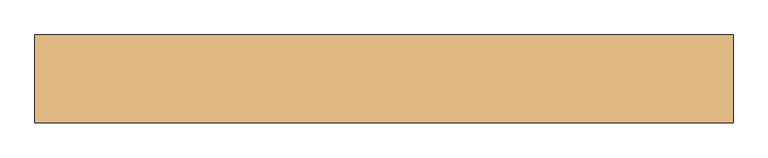
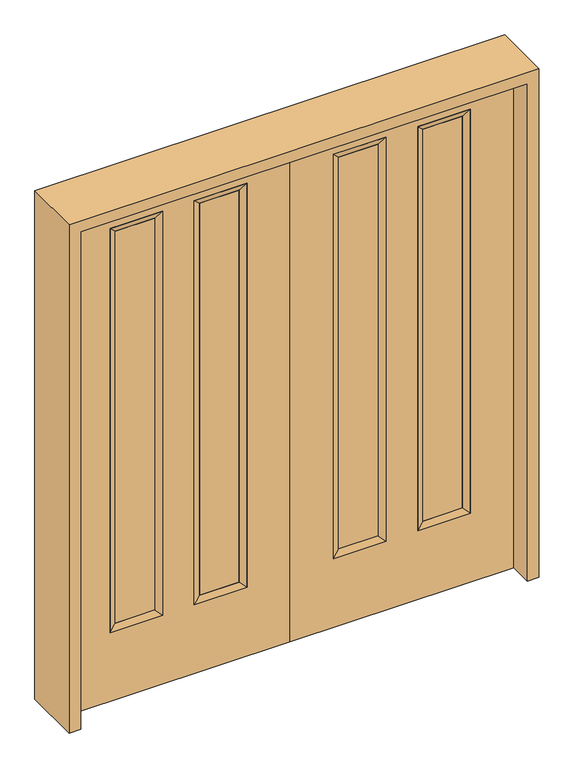
"""IFC4 building model written with IfcOpenShell, lengths in millimetres: door geometry."""

from ifc_helpers import new_model, si_unit, frame, origin, place, context, project, spatial, polyline, outline, extrude, faceted_brep, source, transform, mapped, element, save


def door_7a53a2bc(model_context):
    return source(origin(), model_context, "Body", "SolidModel", [
        extrude(outline(polyline([(518.414, -12.7039749), (518.414, 14.2875), (670.814, 14.2875), (670.814, -12.7039749), (518.414, -12.7039749)])), frame((0.0, 0.0, 304.8), z_axis=(0.0, 0.0, 1.0), x_axis=(1.0, 0.0, 0.0)), (0.0, 0.0, 1.0), 1600.2),
        extrude(outline(polyline([(192.786, -12.7039749), (192.786, 14.2875), (345.186, 14.2875), (345.186, -12.7039749), (192.786, -12.7039749)])), frame((0.0, 0.0, 304.8), z_axis=(0.0, 0.0, 1.0), x_axis=(1.0, 0.0, 0.0)), (0.0, 0.0, 1.0), 1600.2),
        faceted_brep([(167.386, 22.225, 1930.4), (370.586, 22.225, 1930.4), (345.186, 14.2875, 1905.0), (192.786, 14.2875, 1905.0), (345.186, -12.7039749, 1905.0), (192.786, -12.7039749, 1905.0), (370.586, -22.225, 1930.4), (167.386, -22.225, 1930.4), (370.586, 22.225, 279.4), (345.186, 14.2875, 304.8), (345.186, -12.7039749, 304.8), (370.586, -22.225, 279.4), (167.386, 22.225, 279.4), (192.786, 14.2875, 304.8), (192.786, -12.7039749, 304.8), (167.386, -22.225, 279.4)], [[[0, 1, 2, 3]], [[3, 2, 4, 5]], [[5, 4, 6, 7]], [[7, 6, 1, 0]], [[1, 8, 9, 2]], [[2, 9, 10, 4]], [[4, 10, 11, 6]], [[6, 11, 8, 1]], [[8, 12, 13, 9]], [[9, 13, 14, 10]], [[10, 14, 15, 11]], [[11, 15, 12, 8]], [[12, 0, 3, 13]], [[13, 3, 5, 14]], [[14, 5, 7, 15]], [[15, 7, 0, 12]]]),
        faceted_brep([(670.814, 14.2875, 1905.0), (518.414, 14.2875, 1905.0), (493.014, 22.225, 1930.4), (696.214, 22.225, 1930.4), (670.814, -12.7039749, 1905.0), (518.414, -12.7039749, 1905.0), (696.214, -22.225, 1930.4), (493.014, -22.225, 1930.4), (518.414, 14.2875, 304.8), (493.014, 22.225, 279.4), (518.414, -12.7039749, 304.8), (493.014, -22.225, 279.4), (670.814, 14.2875, 304.8), (696.214, 22.225, 279.4), (670.814, -12.7039749, 304.8), (696.214, -22.225, 279.4)], [[[0, 1, 2, 3]], [[4, 5, 1, 0]], [[6, 7, 5, 4]], [[3, 2, 7, 6]], [[1, 8, 9, 2]], [[5, 10, 8, 1]], [[7, 11, 10, 5]], [[2, 9, 11, 7]], [[8, 12, 13, 9]], [[10, 14, 12, 8]], [[11, 15, 14, 10]], [[9, 13, 15, 11]], [[12, 0, 3, 13]], [[14, 4, 0, 12]], [[15, 6, 4, 14]], [[13, 3, 6, 15]]]),
        extrude(outline(polyline([(0.0, 863.6), (2032.0, 863.6), (2032.0, 0.0), (0.0, 0.0), (0.0, 863.6)]), holes=[polyline([(279.4, 696.214), (279.4, 493.014), (1930.4, 493.014), (1930.4, 696.214), (279.4, 696.214)]), polyline([(279.4, 370.586), (279.4, 167.386), (1930.4, 167.386), (1930.4, 370.586), (279.4, 370.586)])]), frame((0.0, -22.225, 0.0), z_axis=(0.0, 1.0, 0.0), x_axis=(0.0, 0.0, 1.0)), (0.0, 0.0, 1.0), 44.45),
        extrude(outline(polyline([(-518.414, -12.7039749), (-670.814, -12.7039749), (-670.814, 14.2875), (-518.414, 14.2875), (-518.414, -12.7039749)])), frame((0.0, 0.0, 304.8), z_axis=(0.0, 0.0, 1.0), x_axis=(1.0, 0.0, 0.0)), (0.0, 0.0, 1.0), 1600.2),
        extrude(outline(polyline([(-192.786, -12.7039749), (-345.186, -12.7039749), (-345.186, 14.2875), (-192.786, 14.2875), (-192.786, -12.7039749)])), frame((0.0, 0.0, 304.8), z_axis=(0.0, 0.0, 1.0), x_axis=(1.0, 0.0, 0.0)), (0.0, 0.0, 1.0), 1600.2),
        faceted_brep([(-167.386, 22.225, 1930.4), (-192.786, 14.2875, 1905.0), (-345.186, 14.2875, 1905.0), (-370.586, 22.225, 1930.4), (-192.786, -12.7039749, 1905.0), (-345.186, -12.7039749, 1905.0), (-167.386, -22.225, 1930.4), (-370.586, -22.225, 1930.4), (-345.186, 14.2875, 304.8), (-370.586, 22.225, 279.4), (-345.186, -12.7039749, 304.8), (-370.586, -22.225, 279.4), (-192.786, 14.2875, 304.8), (-167.386, 22.225, 279.4), (-192.786, -12.7039749, 304.8), (-167.386, -22.225, 279.4)], [[[0, 1, 2, 3]], [[1, 4, 5, 2]], [[4, 6, 7, 5]], [[6, 0, 3, 7]], [[3, 2, 8, 9]], [[2, 5, 10, 8]], [[5, 7, 11, 10]], [[7, 3, 9, 11]], [[9, 8, 12, 13]], [[8, 10, 14, 12]], [[10, 11, 15, 14]], [[11, 9, 13, 15]], [[13, 12, 1, 0]], [[12, 14, 4, 1]], [[14, 15, 6, 4]], [[15, 13, 0, 6]]]),
        faceted_brep([(-670.814, 14.2875, 1905.0), (-696.214, 22.225, 1930.4), (-493.014, 22.225, 1930.4), (-518.414, 14.2875, 1905.0), (-670.814, -12.7039749, 1905.0), (-518.414, -12.7039749, 1905.0), (-696.214, -22.225, 1930.4), (-493.014, -22.225, 1930.4), (-493.014, 22.225, 279.4), (-518.414, 14.2875, 304.8), (-518.414, -12.7039749, 304.8), (-493.014, -22.225, 279.4), (-696.214, 22.225, 279.4), (-670.814, 14.2875, 304.8), (-670.814, -12.7039749, 304.8), (-696.214, -22.225, 279.4)], [[[0, 1, 2, 3]], [[4, 0, 3, 5]], [[6, 4, 5, 7]], [[1, 6, 7, 2]], [[3, 2, 8, 9]], [[5, 3, 9, 10]], [[7, 5, 10, 11]], [[2, 7, 11, 8]], [[9, 8, 12, 13]], [[10, 9, 13, 14]], [[11, 10, 14, 15]], [[8, 11, 15, 12]], [[13, 12, 1, 0]], [[14, 13, 0, 4]], [[15, 14, 4, 6]], [[12, 15, 6, 1]]]),
        extrude(outline(polyline([(0.0, -863.6), (0.0, 0.0), (2032.0, 0.0), (2032.0, -863.6), (0.0, -863.6)]), holes=[polyline([(279.4, -696.214), (1930.4, -696.214), (1930.4, -493.014), (279.4, -493.014), (279.4, -696.214)]), polyline([(279.4, -370.586), (1930.4, -370.586), (1930.4, -167.386), (279.4, -167.386), (279.4, -370.586)])]), frame((0.0, -22.225, 0.0), z_axis=(0.0, 1.0, 0.0), x_axis=(0.0, 0.0, 1.0)), (0.0, 0.0, 1.0), 44.45),
        extrude(outline(polyline([(0.0, -908.05), (0.0, -863.6), (2032.0, -863.6), (2032.0, 863.6), (0.0, 863.6), (0.0, 908.05), (2076.45, 908.05), (2076.45, -908.05), (0.0, -908.05)])), frame((0.0, -114.3, 0.0), z_axis=(0.0, 1.0, 0.0), x_axis=(0.0, 0.0, 1.0)), (0.0, 0.0, 1.0), 228.6),
    ])


if __name__ == "__main__":
    model = new_model("IFC4")
    model_context = context("Model", 3, world=origin())
    ifc_project = project(units=[si_unit("LENGTHUNIT", "METRE", prefix="MILLI")], contexts=[model_context])
    site = spatial("IfcSite", under=ifc_project)
    building = spatial("IfcBuilding", under=site)
    placement = place(None, origin())
    door_shape = door_7a53a2bc(model_context)
    element("IfcDoor", 1, at=placement, inside=building, context=model_context, shape_type="MappedRepresentation", body=[
        mapped(door_shape, transform((0.0, 0.0, 0.0), x_axis=(1.0, 0.0, 0.0), y_axis=(0.0, 1.0, 0.0), z_axis=(0.0, 0.0, 1.0))),
    ])
    save(model, "model.ifc")
